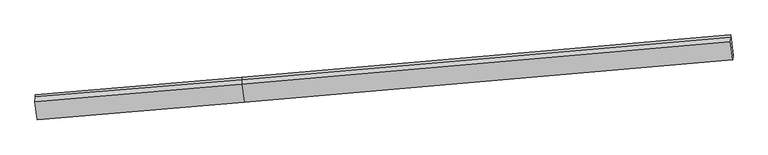
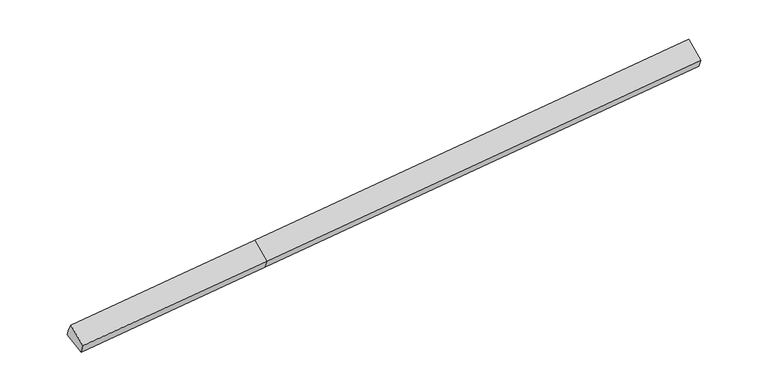
"""IFC4 building model written with IfcOpenShell, lengths in millimetres: proxy geometry."""

from ifc_helpers import new_model, si_unit, origin, place, context, project, spatial, faceted_brep, source, transform, mapped, element, save


def generic_models_914d40db(model_context):
    return source(origin(), model_context, "Body", "Brep", [
        faceted_brep([(-9780.3065922, -2187.5483133, 1274.2701212), (-9786.2478766, -2256.8983839, 1466.3314888), (-3082.7589889, -1696.0841469, 1886.836095), (-3076.8177045, -1626.7340762, 1694.7747273), (-9705.085181, -2870.7620605, 1020.945226), (-3001.5962933, -2309.9478235, 1441.4498321), (-9713.8346711, -2994.2052697, 1333.5248885), (-3010.3457834, -2433.3910327, 1754.0294946), (-9791.2477998, -2411.1740512, 1761.7857099), (-3087.7589121, -1850.3598142, 2182.2903161), (12839.1522706, -1054.7428014, 2742.1289281), (12847.9017607, -931.2995922, 2429.5492656), (12772.6803495, -248.0858449, 2682.8741608), (12766.7390651, -317.4359156, 2874.9355285), (12761.7391419, -471.7115829, 3170.3897496)], [[[0, 1, 2, 3]], [[4, 0, 5]], [[6, 4, 5, 7]], [[8, 6, 7, 9]], [[1, 8, 9, 2]], [[10, 11, 12, 13, 14]], [[1, 0, 4, 6, 8]], [[3, 5, 0]], [[7, 5, 11, 10]], [[5, 3, 12, 11]], [[3, 2, 13, 12]], [[2, 9, 14, 13]], [[9, 7, 10, 14]]]),
    ])


if __name__ == "__main__":
    model = new_model("IFC4")
    model_context = context("Model", 3, world=origin())
    ifc_project = project(units=[si_unit("LENGTHUNIT", "METRE", prefix="MILLI")], contexts=[model_context])
    site = spatial("IfcSite", under=ifc_project)
    building = spatial("IfcBuilding", under=site)
    placement = place(None, origin())
    generic_models_shape = generic_models_914d40db(model_context)
    element("IfcBuildingElementProxy", 1, Name="Generic Models", at=placement, inside=building, context=model_context, shape_type="MappedRepresentation", body=[
        mapped(generic_models_shape, transform((0.0, 0.0, 0.0), x_axis=(1.0, 0.0, 0.0), y_axis=(0.0, 1.0, 0.0), z_axis=(0.0, 0.0, 1.0))),
    ])
    save(model, "model.ifc")
